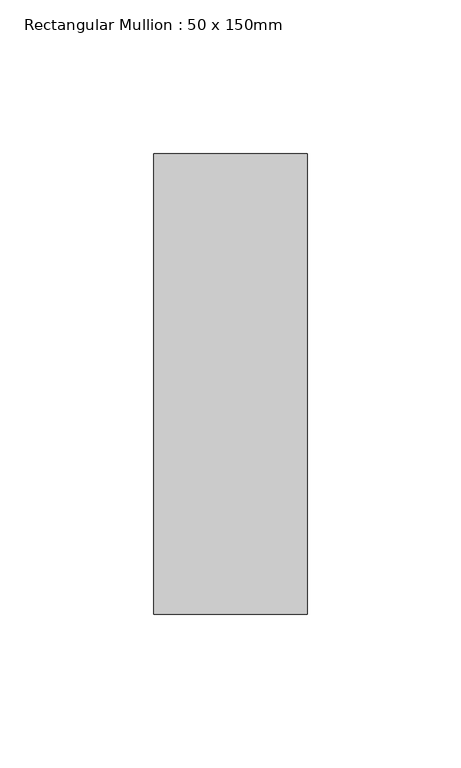
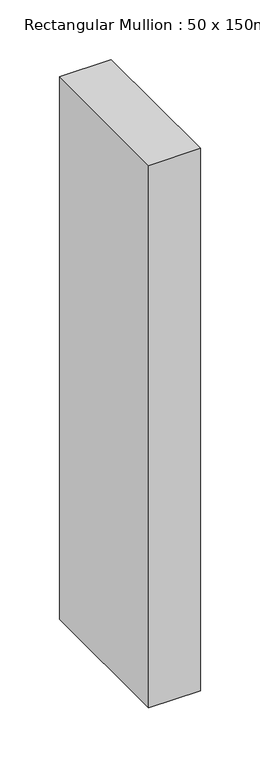
"""IFC4 building model written with IfcOpenShell, lengths in millimetres: member geometry, Rectangular Mullion : 50 x 150mm."""

from ifc_helpers import new_model, si_unit, frame, origin, place, context, project, spatial, polyline, outline, extrude, source, transform, mapped, element, save


def rectangular_mullion_50_x_150mm_c7d462b7(model_context):
    return source(origin(), model_context, "Body", "SweptSolid", [
        extrude(outline(polyline([(0.0, 75.0), (0.0, -75.0), (-50.0, -75.0), (-50.0, 75.0), (0.0, 75.0)])), frame((0.0, 0.0, -556.0), z_axis=(0.0, 0.0, 1.0), x_axis=(1.0, 0.0, 0.0)), (0.0, 0.0, 1.0), 556.0),
    ])


if __name__ == "__main__":
    model = new_model("IFC4")
    model_context = context("Model", 3, world=origin())
    ifc_project = project(units=[si_unit("LENGTHUNIT", "METRE", prefix="MILLI")], contexts=[model_context])
    site = spatial("IfcSite", under=ifc_project)
    building = spatial("IfcBuilding", under=site)
    placement = place(None, origin())
    rectangular_mullion_50_x_150mm_shape = rectangular_mullion_50_x_150mm_c7d462b7(model_context)
    element("IfcMember", 1, ObjectType="Rectangular Mullion : 50 x 150mm", at=placement, inside=building, context=model_context, shape_type="MappedRepresentation", body=[
        mapped(rectangular_mullion_50_x_150mm_shape, transform((0.0, 0.0, 0.0), x_axis=(1.0, 0.0, 0.0), y_axis=(0.0, 1.0, 0.0), z_axis=(0.0, 0.0, 1.0))),
    ])
    save(model, "model.ifc")
